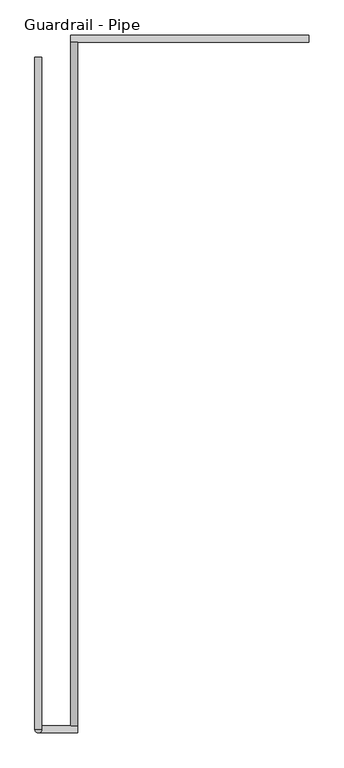
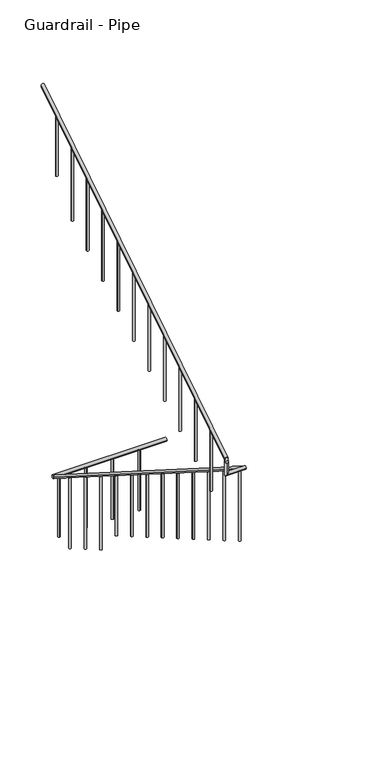
"""IFC4 building model written with IfcOpenShell, lengths in millimetres: railing geometry, Guardrail - Pipe."""

from ifc_helpers import new_model, si_unit, point, frame, frame_2d, origin, place, context, project, spatial, circle_curve, ellipse_curve, trimmed, segment, composite_curve, outline, extrude, source, transform, mapped, element, save
from ifc_brep_helpers import plane_surface, cylinder_surface, advanced_brep


def guardrail_pipe_fcc3547d(model_context):
    return source(origin(), model_context, "Body", "SolidModel", [
        advanced_brep(
        [(487033.6754676, -251200.4580223, 864.0596117), (486995.5754676, -251200.4580223, 864.0596117), (487033.6754676, -254896.1580223, 3203.4252683), (486995.5754676, -254896.1580223, 3203.4252683)],
        [
            (0, 1, ellipse_curve(frame((487014.6254676, -251200.4580223, 864.0596117), z_axis=(0.0, 1.0, 0.0), x_axis=(0.0, 0.0, -1.0)), 22.5457755, 19.05)),
            (1, 0, ellipse_curve(frame((487014.6254676, -251200.4580223, 864.0596117), z_axis=(0.0, 1.0, 0.0), x_axis=(0.0, 0.0, -1.0)), 22.5457755, 19.05)),
            (2, 3, ellipse_curve(frame((487014.6254676, -254896.1580223, 3203.4252683), z_axis=(0.0, -1.0, 0.0), x_axis=(0.0, 0.0, -1.0)), 22.5457755, 19.05)),
            (3, 2, ellipse_curve(frame((487014.6254676, -254896.1580223, 3203.4252683), z_axis=(0.0, -1.0, 0.0), x_axis=(0.0, 0.0, -1.0)), 22.5457755, 19.05)),
            (1, 3),
            (2, 0),
        ],
        [
            plane_surface(frame((487014.6254676, -251200.4580223, 886.6053872), z_axis=(0.0, 1.0, 0.0), x_axis=(0.0, 0.0, -1.0))),
            plane_surface(frame((487014.6254676, -254896.1580223, 3225.9710438), z_axis=(0.0, -1.0, 0.0), x_axis=(0.0, 0.0, -1.0))),
            cylinder_surface(frame((487014.6254676, -251210.6468961, 870.5091345), z_axis=(0.0, 0.8449476488296452, -0.5348490167675869), x_axis=(-1.0, 0.0, 0.0)), 19.05),
        ],
        [
            (0, [[1, 2]]),
            (1, [[3, 4]]),
            (2, [[-2, 5, -3, 6]]),
            (2, [[-1, -6, -4, -5]]),
        ],
    ),
        advanced_brep(
        [(487033.6754676, -254934.2580223, 3218.9796296), (487033.6754676, -254896.1580223, 3218.9796296), (486820.105137, -254896.1580223, 3218.9796296), (486820.105137, -254934.2580223, 3218.9796296), (486820.105137, -254934.2580223, 3357.738752), (486820.105137, -254896.1580223, 3381.8559237)],
        [
            (0, 1, circle_curve(frame((487033.6754676, -254915.2080223, 3218.9796296), z_axis=(1.0, 0.0, 0.0), x_axis=(0.0, 1.0, 0.0)), 19.05)),
            (1, 0, circle_curve(frame((487033.6754676, -254915.2080223, 3218.9796296), z_axis=(1.0, 0.0, 0.0), x_axis=(0.0, 1.0, 0.0)), 19.05)),
            (1, 2),
            (2, 3, ellipse_curve(frame((486820.105137, -254915.2080223, 3218.9796296), z_axis=(0.7071067811865475, 0.0, -0.7071067811865475), x_axis=(0.7071067811865476, 0.0, 0.7071067811865474)), 26.9407684, 19.05)),
            (3, 0),
            (3, 2, ellipse_curve(frame((486820.105137, -254915.2080223, 3218.9796296), z_axis=(0.7071067811865475, 0.0, -0.7071067811865475), x_axis=(0.7071067811865476, 0.0, 0.7071067811865474)), 26.9407684, 19.05)),
            (4, 5, ellipse_curve(frame((486820.105137, -254915.2080223, 3369.7973379), z_axis=(0.0, -0.5348490167675869, 0.8449476488296452), x_axis=(0.0, -0.8449476488296452, -0.5348490167675869)), 22.5457755, 19.05)),
            (5, 4, ellipse_curve(frame((486820.105137, -254915.2080223, 3369.7973379), z_axis=(0.0, -0.5348490167675869, 0.8449476488296452), x_axis=(0.0, -0.8449476488296452, -0.5348490167675869)), 22.5457755, 19.05)),
            (2, 5),
            (4, 3),
        ],
        [
            plane_surface(frame((487033.6754676, -254915.2080223, 3238.0296296), z_axis=(1.0, 0.0, 0.0), x_axis=(0.0, -1.0, 0.0))),
            cylinder_surface(frame((487033.6754676, -254915.2080223, 3218.9796296), z_axis=(1.0, 0.0, 0.0), x_axis=(0.0, 1.0, 0.0)), 19.05),
            plane_surface(frame((486839.155137, -254915.2080223, 3369.7973379), z_axis=(0.0, -0.5348490167675869, 0.8449476488296452), x_axis=(1.0, 0.0, 0.0))),
            cylinder_surface(frame((486820.105137, -254915.2080223, 3238.0296296), z_axis=(0.0, 0.0, -1.0), x_axis=(0.0, 1.0, 0.0)), 19.05),
        ],
        [
            (0, [[1, 2]]),
            (1, [[-2, 3, 4, 5]]),
            (1, [[-1, -5, 6, -3]]),
            (2, [[7, 8]]),
            (3, [[-4, 9, -7, 10]]),
            (3, [[-6, -10, -8, -9]]),
        ],
    ),
        advanced_brep(
        [(486801.055137, -254915.2080223, 3392.3431134), (486839.155137, -254915.2080223, 3392.3431134), (486801.055137, -251283.0080223, 5691.5134838), (486839.155137, -251283.0080223, 5691.5134838)],
        [
            (0, 1, ellipse_curve(frame((486820.105137, -254915.2080223, 3392.3431134), z_axis=(0.0, -1.0, 0.0), x_axis=(0.0, 0.0, -1.0)), 22.5457755, 19.05)),
            (1, 0, ellipse_curve(frame((486820.105137, -254915.2080223, 3392.3431134), z_axis=(0.0, -1.0, 0.0), x_axis=(0.0, 0.0, -1.0)), 22.5457755, 19.05)),
            (2, 3, ellipse_curve(frame((486820.105137, -251283.0080223, 5691.5134838), z_axis=(0.0, 1.0, 0.0), x_axis=(0.0, 0.0, -1.0)), 22.5457755, 19.05)),
            (3, 2, ellipse_curve(frame((486820.105137, -251283.0080223, 5691.5134838), z_axis=(0.0, 1.0, 0.0), x_axis=(0.0, 0.0, -1.0)), 22.5457755, 19.05)),
            (1, 3),
            (2, 0),
        ],
        [
            plane_surface(frame((486820.105137, -254915.2080223, 3414.8888889), z_axis=(0.0, -1.0, 0.0), x_axis=(0.0, 0.0, 1.0))),
            plane_surface(frame((486820.105137, -251283.0080223, 5714.0592593), z_axis=(0.0, 1.0, 0.0), x_axis=(0.0, 0.0, 1.0))),
            cylinder_surface(frame((486820.105137, -254905.0191486, 3398.7926362), z_axis=(0.0, -0.8449476488296452, -0.5348490167675869), x_axis=(1.0, 0.0, 0.0)), 19.05),
        ],
        [
            (0, [[1, 2]]),
            (1, [[3, 4]]),
            (2, [[-2, 5, -3, 6]]),
            (2, [[-1, -6, -4, -5]]),
        ],
    ),
        advanced_brep(
        [(488284.6254676, -251200.4580223, 855.4968013), (488284.6254676, -251162.3580223, 855.4968013), (486995.5754676, -251200.4580223, 855.4968013), (486995.5754676, -251162.3580223, 855.4968013)],
        [
            (0, 1, circle_curve(frame((488284.6254676, -251181.4080223, 855.4968013), z_axis=(1.0, 0.0, 0.0), x_axis=(0.0, 1.0, 0.0)), 19.05)),
            (1, 0, circle_curve(frame((488284.6254676, -251181.4080223, 855.4968013), z_axis=(1.0, 0.0, 0.0), x_axis=(0.0, 1.0, 0.0)), 19.05)),
            (2, 3, circle_curve(frame((486995.5754676, -251181.4080223, 855.4968013), z_axis=(-1.0, 0.0, 0.0), x_axis=(0.0, 1.0, 0.0)), 19.05)),
            (3, 2, circle_curve(frame((486995.5754676, -251181.4080223, 855.4968013), z_axis=(-1.0, 0.0, 0.0), x_axis=(0.0, 1.0, 0.0)), 19.05)),
            (1, 3),
            (2, 0),
        ],
        [
            plane_surface(frame((488284.6254676, -251181.4080223, 874.5468013), z_axis=(1.0, 0.0, 0.0), x_axis=(0.0, -1.0, 0.0))),
            plane_surface(frame((486995.5754676, -251181.4080223, 874.5468013), z_axis=(-1.0, 0.0, 0.0), x_axis=(0.0, -1.0, 0.0))),
            cylinder_surface(frame((488284.6254676, -251181.4080223, 855.4968013), z_axis=(1.0, 0.0, 0.0), x_axis=(0.0, 1.0, 0.0)), 19.05),
        ],
        [
            (0, [[1, 2]]),
            (1, [[3, 4]]),
            (2, [[-2, 5, -3, 6]]),
            (2, [[-1, -6, -4, -5]]),
        ],
    ),
        advanced_brep(
        [(486832.805137, -251562.4080223, 5492.108449), (486832.805137, -251562.4080223, 4775.2), (486807.405137, -251562.4080223, 4775.2), (486807.405137, -251562.4080223, 5492.108449)],
        [
            (0, 1),
            (1, 2, circle_curve(frame((486820.105137, -251562.4080223, 4775.2), z_axis=(0.0, 0.0, 1.0), x_axis=(-1.0, 0.0, 0.0)), 12.7)),
            (2, 3),
            (3, 0, ellipse_curve(frame((486820.105137, -251562.4080223, 5492.108449), z_axis=(0.0, 0.534849016767586, -0.8449476488296459), x_axis=(0.0, 0.8449476488296459, 0.5348490167675857)), 15.030517, 12.7)),
            (0, 3, ellipse_curve(frame((486820.105137, -251562.4080223, 5492.108449), z_axis=(0.0, 0.534849016767586, -0.8449476488296459), x_axis=(0.0, 0.8449476488296459, 0.5348490167675857)), 15.030517, 12.7)),
            (2, 1, circle_curve(frame((486820.105137, -251562.4080223, 4775.2), z_axis=(0.0, 0.0, 1.0), x_axis=(-1.0, 0.0, 0.0)), 12.7)),
        ],
        [
            cylinder_surface(frame((486820.105137, -251562.4080223, 4546.6), z_axis=(0.0, 0.0, 1.0), x_axis=(-1.0, 0.0, 0.0)), 12.7),
            plane_surface(frame((486794.705137, -251537.0080223, 5508.1865635), z_axis=(0.0, -0.534849016767586, 0.8449476488296459), x_axis=(1.0, 0.0, 0.0))),
            plane_surface(frame((486794.705137, -251587.8080223, 4775.2), z_axis=(0.0, 0.0, -1.0), x_axis=(1.0, 0.0, 0.0))),
        ],
        [
            (0, [[1, 2, 3, 4]]),
            (0, [[-1, 5, -3, 6]]),
            (1, [[-4, -5]]),
            (2, [[-2, -6]]),
        ],
    ),
        advanced_brep(
        [(486832.805137, -251867.2080223, 5299.1710753), (486832.805137, -251867.2080223, 4421.4814815), (486807.405137, -251867.2080223, 4421.4814815), (486807.405137, -251867.2080223, 5299.1710753)],
        [
            (0, 1),
            (1, 2, circle_curve(frame((486820.105137, -251867.2080223, 4421.4814815), z_axis=(0.0, 0.0, 1.0), x_axis=(-1.0, 0.0, 0.0)), 12.7)),
            (2, 3),
            (3, 0, ellipse_curve(frame((486820.105137, -251867.2080223, 5299.1710753), z_axis=(0.0, 0.5348490167675843, -0.8449476488296469), x_axis=(0.0, 0.8449476488296469, 0.5348490167675843)), 15.030517, 12.7)),
            (0, 3, ellipse_curve(frame((486820.105137, -251867.2080223, 5299.1710753), z_axis=(0.0, 0.5348490167675843, -0.8449476488296469), x_axis=(0.0, 0.8449476488296469, 0.5348490167675843)), 15.030517, 12.7)),
            (2, 1, circle_curve(frame((486820.105137, -251867.2080223, 4421.4814815), z_axis=(0.0, 0.0, 1.0), x_axis=(-1.0, 0.0, 0.0)), 12.7)),
        ],
        [
            cylinder_surface(frame((486820.105137, -251867.2080223, 4192.8814815), z_axis=(0.0, 0.0, 1.0), x_axis=(-1.0, 0.0, 0.0)), 12.7),
            plane_surface(frame((486794.705137, -251841.8080223, 5315.2491897), z_axis=(0.0, -0.5348490167675843, 0.8449476488296469), x_axis=(1.0, 0.0, 0.0))),
            plane_surface(frame((486794.705137, -251892.6080223, 4421.4814815), z_axis=(0.0, 0.0, -1.0), x_axis=(1.0, 0.0, 0.0))),
        ],
        [
            (0, [[1, 2, 3, 4]]),
            (0, [[-1, 5, -3, 6]]),
            (1, [[-4, -5]]),
            (2, [[-2, -6]]),
        ],
    ),
        advanced_brep(
        [(486832.805137, -252172.0080223, 5106.2337015), (486832.805137, -252172.0080223, 4244.6222222), (486807.405137, -252172.0080223, 4244.6222222), (486807.405137, -252172.0080223, 5106.2337015)],
        [
            (0, 1),
            (1, 2, circle_curve(frame((486820.105137, -252172.0080223, 4244.6222222), z_axis=(0.0, 0.0, 1.0), x_axis=(-1.0, 0.0, 0.0)), 12.7)),
            (2, 3),
            (3, 0, ellipse_curve(frame((486820.105137, -252172.0080223, 5106.2337015), z_axis=(0.0, 0.534849016767586, -0.8449476488296459), x_axis=(0.0, 0.8449476488296459, 0.5348490167675857)), 15.030517, 12.7)),
            (0, 3, ellipse_curve(frame((486820.105137, -252172.0080223, 5106.2337015), z_axis=(0.0, 0.534849016767586, -0.8449476488296459), x_axis=(0.0, 0.8449476488296459, 0.5348490167675857)), 15.030517, 12.7)),
            (2, 1, circle_curve(frame((486820.105137, -252172.0080223, 4244.6222222), z_axis=(0.0, 0.0, 1.0), x_axis=(-1.0, 0.0, 0.0)), 12.7)),
        ],
        [
            cylinder_surface(frame((486820.105137, -252172.0080223, 4016.0222222), z_axis=(0.0, 0.0, 1.0), x_axis=(-1.0, 0.0, 0.0)), 12.7),
            plane_surface(frame((486794.705137, -252146.6080223, 5122.311816), z_axis=(0.0, -0.534849016767586, 0.8449476488296459), x_axis=(1.0, 0.0, 0.0))),
            plane_surface(frame((486794.705137, -252197.4080223, 4244.6222222), z_axis=(0.0, 0.0, -1.0), x_axis=(1.0, 0.0, 0.0))),
        ],
        [
            (0, [[1, 2, 3, 4]]),
            (0, [[-1, 5, -3, 6]]),
            (1, [[-4, -5]]),
            (2, [[-2, -6]]),
        ],
    ),
        advanced_brep(
        [(486832.805137, -252476.8080223, 4913.2963278), (486832.805137, -252476.8080223, 4067.762963), (486807.405137, -252476.8080223, 4067.762963), (486807.405137, -252476.8080223, 4913.2963278)],
        [
            (0, 1),
            (1, 2, circle_curve(frame((486820.105137, -252476.8080223, 4067.762963), z_axis=(0.0, 0.0, 1.0), x_axis=(-1.0, 0.0, 0.0)), 12.7)),
            (2, 3),
            (3, 0, ellipse_curve(frame((486820.105137, -252476.8080223, 4913.2963278), z_axis=(0.0, 0.534849016767586, -0.8449476488296459), x_axis=(0.0, 0.8449476488296459, 0.5348490167675857)), 15.030517, 12.7)),
            (0, 3, ellipse_curve(frame((486820.105137, -252476.8080223, 4913.2963278), z_axis=(0.0, 0.534849016767586, -0.8449476488296459), x_axis=(0.0, 0.8449476488296459, 0.5348490167675857)), 15.030517, 12.7)),
            (2, 1, circle_curve(frame((486820.105137, -252476.8080223, 4067.762963), z_axis=(0.0, 0.0, 1.0), x_axis=(-1.0, 0.0, 0.0)), 12.7)),
        ],
        [
            cylinder_surface(frame((486820.105137, -252476.8080223, 3839.162963), z_axis=(0.0, 0.0, 1.0), x_axis=(-1.0, 0.0, 0.0)), 12.7),
            plane_surface(frame((486794.705137, -252451.4080223, 4929.3744423), z_axis=(0.0, -0.534849016767586, 0.8449476488296459), x_axis=(1.0, 0.0, 0.0))),
            plane_surface(frame((486794.705137, -252502.2080223, 4067.762963), z_axis=(0.0, 0.0, -1.0), x_axis=(1.0, 0.0, 0.0))),
        ],
        [
            (0, [[1, 2, 3, 4]]),
            (0, [[-1, 5, -3, 6]]),
            (1, [[-4, -5]]),
            (2, [[-2, -6]]),
        ],
    ),
        advanced_brep(
        [(486832.805137, -252781.6080223, 4720.358954), (486832.805137, -252781.6080223, 3890.9037037), (486807.405137, -252781.6080223, 3890.9037037), (486807.405137, -252781.6080223, 4720.358954)],
        [
            (0, 1),
            (1, 2, circle_curve(frame((486820.105137, -252781.6080223, 3890.9037037), z_axis=(0.0, 0.0, 1.0), x_axis=(-1.0, 0.0, 0.0)), 12.7)),
            (2, 3),
            (3, 0, ellipse_curve(frame((486820.105137, -252781.6080223, 4720.358954), z_axis=(0.0, 0.5348490167675843, -0.8449476488296469), x_axis=(0.0, 0.8449476488296469, 0.5348490167675843)), 15.030517, 12.7)),
            (0, 3, ellipse_curve(frame((486820.105137, -252781.6080223, 4720.358954), z_axis=(0.0, 0.5348490167675843, -0.8449476488296469), x_axis=(0.0, 0.8449476488296469, 0.5348490167675843)), 15.030517, 12.7)),
            (2, 1, circle_curve(frame((486820.105137, -252781.6080223, 3890.9037037), z_axis=(0.0, 0.0, 1.0), x_axis=(-1.0, 0.0, 0.0)), 12.7)),
        ],
        [
            cylinder_surface(frame((486820.105137, -252781.6080223, 3662.3037037), z_axis=(0.0, 0.0, 1.0), x_axis=(-1.0, 0.0, 0.0)), 12.7),
            plane_surface(frame((486794.705137, -252756.2080223, 4736.4370685), z_axis=(0.0, -0.5348490167675843, 0.8449476488296469), x_axis=(1.0, 0.0, 0.0))),
            plane_surface(frame((486794.705137, -252807.0080223, 3890.9037037), z_axis=(0.0, 0.0, -1.0), x_axis=(1.0, 0.0, 0.0))),
        ],
        [
            (0, [[1, 2, 3, 4]]),
            (0, [[-1, 5, -3, 6]]),
            (1, [[-4, -5]]),
            (2, [[-2, -6]]),
        ],
    ),
        advanced_brep(
        [(486832.805137, -253086.4080223, 4527.4215803), (486832.805137, -253086.4080223, 3714.0444444), (486807.405137, -253086.4080223, 3714.0444444), (486807.405137, -253086.4080223, 4527.4215803)],
        [
            (0, 1),
            (1, 2, circle_curve(frame((486820.105137, -253086.4080223, 3714.0444444), z_axis=(0.0, 0.0, 1.0), x_axis=(-1.0, 0.0, 0.0)), 12.7)),
            (2, 3),
            (3, 0, ellipse_curve(frame((486820.105137, -253086.4080223, 4527.4215803), z_axis=(0.0, 0.5348490167675828, -0.844947648829648), x_axis=(0.0, 0.8449476488296481, 0.5348490167675825)), 15.030517, 12.7)),
            (0, 3, ellipse_curve(frame((486820.105137, -253086.4080223, 4527.4215803), z_axis=(0.0, 0.5348490167675828, -0.844947648829648), x_axis=(0.0, 0.8449476488296481, 0.5348490167675825)), 15.030517, 12.7)),
            (2, 1, circle_curve(frame((486820.105137, -253086.4080223, 3714.0444444), z_axis=(0.0, 0.0, 1.0), x_axis=(-1.0, 0.0, 0.0)), 12.7)),
        ],
        [
            cylinder_surface(frame((486820.105137, -253086.4080223, 3485.4444444), z_axis=(0.0, 0.0, 1.0), x_axis=(-1.0, 0.0, 0.0)), 12.7),
            plane_surface(frame((486794.705137, -253061.0080223, 4543.4996948), z_axis=(0.0, -0.5348490167675828, 0.844947648829648), x_axis=(1.0, 0.0, 0.0))),
            plane_surface(frame((486794.705137, -253111.8080223, 3714.0444444), z_axis=(0.0, 0.0, -1.0), x_axis=(1.0, 0.0, 0.0))),
        ],
        [
            (0, [[1, 2, 3, 4]]),
            (0, [[-1, 5, -3, 6]]),
            (1, [[-4, -5]]),
            (2, [[-2, -6]]),
        ],
    ),
        advanced_brep(
        [(486832.805137, -253391.2080223, 4334.4842066), (486832.805137, -253391.2080223, 3537.1851852), (486807.405137, -253391.2080223, 3537.1851852), (486807.405137, -253391.2080223, 4334.4842066)],
        [
            (0, 1),
            (1, 2, circle_curve(frame((486820.105137, -253391.2080223, 3537.1851852), z_axis=(0.0, 0.0, 1.0), x_axis=(-1.0, 0.0, 0.0)), 12.7)),
            (2, 3),
            (3, 0, ellipse_curve(frame((486820.105137, -253391.2080223, 4334.4842066), z_axis=(0.0, 0.5348490167675843, -0.8449476488296469), x_axis=(0.0, 0.8449476488296469, 0.5348490167675843)), 15.030517, 12.7)),
            (0, 3, ellipse_curve(frame((486820.105137, -253391.2080223, 4334.4842066), z_axis=(0.0, 0.5348490167675843, -0.8449476488296469), x_axis=(0.0, 0.8449476488296469, 0.5348490167675843)), 15.030517, 12.7)),
            (2, 1, circle_curve(frame((486820.105137, -253391.2080223, 3537.1851852), z_axis=(0.0, 0.0, 1.0), x_axis=(-1.0, 0.0, 0.0)), 12.7)),
        ],
        [
            cylinder_surface(frame((486820.105137, -253391.2080223, 3308.5851852), z_axis=(0.0, 0.0, 1.0), x_axis=(-1.0, 0.0, 0.0)), 12.7),
            plane_surface(frame((486794.705137, -253365.8080223, 4350.5623211), z_axis=(0.0, -0.5348490167675843, 0.8449476488296469), x_axis=(1.0, 0.0, 0.0))),
            plane_surface(frame((486794.705137, -253416.6080223, 3537.1851852), z_axis=(0.0, 0.0, -1.0), x_axis=(1.0, 0.0, 0.0))),
        ],
        [
            (0, [[1, 2, 3, 4]]),
            (0, [[-1, 5, -3, 6]]),
            (1, [[-4, -5]]),
            (2, [[-2, -6]]),
        ],
    ),
        advanced_brep(
        [(486832.805137, -253696.0080223, 4141.5468328), (486832.805137, -253696.0080223, 3360.3259259), (486807.405137, -253696.0080223, 3360.3259259), (486807.405137, -253696.0080223, 4141.5468328)],
        [
            (0, 1),
            (1, 2, circle_curve(frame((486820.105137, -253696.0080223, 3360.3259259), z_axis=(0.0, 0.0, 1.0), x_axis=(-1.0, 0.0, 0.0)), 12.7)),
            (2, 3),
            (3, 0, ellipse_curve(frame((486820.105137, -253696.0080223, 4141.5468328), z_axis=(0.0, 0.5348490167675843, -0.8449476488296469), x_axis=(0.0, 0.8449476488296469, 0.5348490167675843)), 15.030517, 12.7)),
            (0, 3, ellipse_curve(frame((486820.105137, -253696.0080223, 4141.5468328), z_axis=(0.0, 0.5348490167675843, -0.8449476488296469), x_axis=(0.0, 0.8449476488296469, 0.5348490167675843)), 15.030517, 12.7)),
            (2, 1, circle_curve(frame((486820.105137, -253696.0080223, 3360.3259259), z_axis=(0.0, 0.0, 1.0), x_axis=(-1.0, 0.0, 0.0)), 12.7)),
        ],
        [
            cylinder_surface(frame((486820.105137, -253696.0080223, 3131.7259259), z_axis=(0.0, 0.0, 1.0), x_axis=(-1.0, 0.0, 0.0)), 12.7),
            plane_surface(frame((486794.705137, -253670.6080223, 4157.6249473), z_axis=(0.0, -0.5348490167675843, 0.8449476488296469), x_axis=(1.0, 0.0, 0.0))),
            plane_surface(frame((486794.705137, -253721.4080223, 3360.3259259), z_axis=(0.0, 0.0, -1.0), x_axis=(1.0, 0.0, 0.0))),
        ],
        [
            (0, [[1, 2, 3, 4]]),
            (0, [[-1, 5, -3, 6]]),
            (1, [[-4, -5]]),
            (2, [[-2, -6]]),
        ],
    ),
        advanced_brep(
        [(486832.805137, -254000.8080223, 3948.6094591), (486832.805137, -254000.8080223, 3183.4666667), (486807.405137, -254000.8080223, 3183.4666667), (486807.405137, -254000.8080223, 3948.6094591)],
        [
            (0, 1),
            (1, 2, circle_curve(frame((486820.105137, -254000.8080223, 3183.4666667), z_axis=(0.0, 0.0, 1.0), x_axis=(-1.0, 0.0, 0.0)), 12.7)),
            (2, 3),
            (3, 0, ellipse_curve(frame((486820.105137, -254000.8080223, 3948.6094591), z_axis=(0.0, 0.5348490167675843, -0.8449476488296469), x_axis=(0.0, 0.8449476488296469, 0.5348490167675843)), 15.030517, 12.7)),
            (0, 3, ellipse_curve(frame((486820.105137, -254000.8080223, 3948.6094591), z_axis=(0.0, 0.5348490167675843, -0.8449476488296469), x_axis=(0.0, 0.8449476488296469, 0.5348490167675843)), 15.030517, 12.7)),
            (2, 1, circle_curve(frame((486820.105137, -254000.8080223, 3183.4666667), z_axis=(0.0, 0.0, 1.0), x_axis=(-1.0, 0.0, 0.0)), 12.7)),
        ],
        [
            cylinder_surface(frame((486820.105137, -254000.8080223, 2954.8666667), z_axis=(0.0, 0.0, 1.0), x_axis=(-1.0, 0.0, 0.0)), 12.7),
            plane_surface(frame((486794.705137, -253975.4080223, 3964.6875736), z_axis=(0.0, -0.5348490167675843, 0.8449476488296469), x_axis=(1.0, 0.0, 0.0))),
            plane_surface(frame((486794.705137, -254026.2080223, 3183.4666667), z_axis=(0.0, 0.0, -1.0), x_axis=(1.0, 0.0, 0.0))),
        ],
        [
            (0, [[1, 2, 3, 4]]),
            (0, [[-1, 5, -3, 6]]),
            (1, [[-4, -5]]),
            (2, [[-2, -6]]),
        ],
    ),
        advanced_brep(
        [(486832.805137, -254305.6080223, 3755.6720854), (486832.805137, -254305.6080223, 3006.6074074), (486807.405137, -254305.6080223, 3006.6074074), (486807.405137, -254305.6080223, 3755.6720854)],
        [
            (0, 1),
            (1, 2, circle_curve(frame((486820.105137, -254305.6080223, 3006.6074074), z_axis=(0.0, 0.0, 1.0), x_axis=(-1.0, 0.0, 0.0)), 12.7)),
            (2, 3),
            (3, 0, ellipse_curve(frame((486820.105137, -254305.6080223, 3755.6720854), z_axis=(0.0, 0.534849016767586, -0.8449476488296459), x_axis=(0.0, 0.8449476488296459, 0.5348490167675857)), 15.030517, 12.7)),
            (0, 3, ellipse_curve(frame((486820.105137, -254305.6080223, 3755.6720854), z_axis=(0.0, 0.534849016767586, -0.8449476488296459), x_axis=(0.0, 0.8449476488296459, 0.5348490167675857)), 15.030517, 12.7)),
            (2, 1, circle_curve(frame((486820.105137, -254305.6080223, 3006.6074074), z_axis=(0.0, 0.0, 1.0), x_axis=(-1.0, 0.0, 0.0)), 12.7)),
        ],
        [
            cylinder_surface(frame((486820.105137, -254305.6080223, 2778.0074074), z_axis=(0.0, 0.0, 1.0), x_axis=(-1.0, 0.0, 0.0)), 12.7),
            plane_surface(frame((486794.705137, -254280.2080223, 3771.7501998), z_axis=(0.0, -0.534849016767586, 0.8449476488296459), x_axis=(1.0, 0.0, 0.0))),
            plane_surface(frame((486794.705137, -254331.0080223, 3006.6074074), z_axis=(0.0, 0.0, -1.0), x_axis=(1.0, 0.0, 0.0))),
        ],
        [
            (0, [[1, 2, 3, 4]]),
            (0, [[-1, 5, -3, 6]]),
            (1, [[-4, -5]]),
            (2, [[-2, -6]]),
        ],
    ),
        advanced_brep(
        [(486832.805137, -254610.4080223, 3562.7347116), (486832.805137, -254610.4080223, 2829.7481481), (486807.405137, -254610.4080223, 2829.7481481), (486807.405137, -254610.4080223, 3562.7347116)],
        [
            (0, 1),
            (1, 2, circle_curve(frame((486820.105137, -254610.4080223, 2829.7481481), z_axis=(0.0, 0.0, 1.0), x_axis=(-1.0, 0.0, 0.0)), 12.7)),
            (2, 3),
            (3, 0, ellipse_curve(frame((486820.105137, -254610.4080223, 3562.7347116), z_axis=(0.0, 0.5348490167675828, -0.844947648829648), x_axis=(0.0, 0.8449476488296481, 0.5348490167675825)), 15.030517, 12.7)),
            (0, 3, ellipse_curve(frame((486820.105137, -254610.4080223, 3562.7347116), z_axis=(0.0, 0.5348490167675828, -0.844947648829648), x_axis=(0.0, 0.8449476488296481, 0.5348490167675825)), 15.030517, 12.7)),
            (2, 1, circle_curve(frame((486820.105137, -254610.4080223, 2829.7481481), z_axis=(0.0, 0.0, 1.0), x_axis=(-1.0, 0.0, 0.0)), 12.7)),
        ],
        [
            cylinder_surface(frame((486820.105137, -254610.4080223, 2601.1481481), z_axis=(0.0, 0.0, 1.0), x_axis=(-1.0, 0.0, 0.0)), 12.7),
            plane_surface(frame((486794.705137, -254585.0080223, 3578.8128261), z_axis=(0.0, -0.5348490167675828, 0.844947648829648), x_axis=(1.0, 0.0, 0.0))),
            plane_surface(frame((486794.705137, -254635.8080223, 2829.7481481), z_axis=(0.0, 0.0, -1.0), x_axis=(1.0, 0.0, 0.0))),
        ],
        [
            (0, [[1, 2, 3, 4]]),
            (0, [[-1, 5, -3, 6]]),
            (1, [[-4, -5]]),
            (2, [[-2, -6]]),
        ],
    ),
        advanced_brep(
        [(487001.9254676, -254839.0080223, 3144.7037352), (487001.9254676, -254839.0080223, 2299.1703704), (487027.3254676, -254839.0080223, 2299.1703704), (487027.3254676, -254839.0080223, 3144.7037352)],
        [
            (0, 1),
            (1, 2, circle_curve(frame((487014.6254676, -254839.0080223, 2299.1703704), z_axis=(0.0, 0.0, 1.0), x_axis=(1.0, 0.0, 0.0)), 12.7)),
            (2, 3),
            (3, 0, ellipse_curve(frame((487014.6254676, -254839.0080223, 3144.7037352), z_axis=(0.0, -0.534849016767586, -0.8449476488296459), x_axis=(0.0, -0.8449476488296459, 0.5348490167675857)), 15.030517, 12.7)),
            (0, 3, ellipse_curve(frame((487014.6254676, -254839.0080223, 3144.7037352), z_axis=(0.0, -0.534849016767586, -0.8449476488296459), x_axis=(0.0, -0.8449476488296459, 0.5348490167675857)), 15.030517, 12.7)),
            (2, 1, circle_curve(frame((487014.6254676, -254839.0080223, 2299.1703704), z_axis=(0.0, 0.0, 1.0), x_axis=(1.0, 0.0, 0.0)), 12.7)),
        ],
        [
            cylinder_surface(frame((487014.6254676, -254839.0080223, 2070.5703704), z_axis=(0.0, 0.0, 1.0), x_axis=(1.0, 0.0, 0.0)), 12.7),
            plane_surface(frame((487040.0254676, -254864.4080223, 3160.7818497), z_axis=(0.0, 0.534849016767586, 0.8449476488296459), x_axis=(-1.0, 0.0, 0.0))),
            plane_surface(frame((487040.0254676, -254813.6080223, 2299.1703704), z_axis=(0.0, 0.0, -1.0), x_axis=(-1.0, 0.0, 0.0))),
        ],
        [
            (0, [[1, 2, 3, 4]]),
            (0, [[-1, 5, -3, 6]]),
            (1, [[-4, -5]]),
            (2, [[-2, -6]]),
        ],
    ),
        advanced_brep(
        [(487001.9254676, -254534.2080223, 2951.7663615), (487001.9254676, -254534.2080223, 2122.3111111), (487027.3254676, -254534.2080223, 2122.3111111), (487027.3254676, -254534.2080223, 2951.7663615)],
        [
            (0, 1),
            (1, 2, circle_curve(frame((487014.6254676, -254534.2080223, 2122.3111111), z_axis=(0.0, 0.0, 1.0), x_axis=(1.0, 0.0, 0.0)), 12.7)),
            (2, 3),
            (3, 0, ellipse_curve(frame((487014.6254676, -254534.2080223, 2951.7663615), z_axis=(0.0, -0.5348490167675843, -0.8449476488296469), x_axis=(0.0, -0.8449476488296469, 0.5348490167675843)), 15.030517, 12.7)),
            (0, 3, ellipse_curve(frame((487014.6254676, -254534.2080223, 2951.7663615), z_axis=(0.0, -0.5348490167675843, -0.8449476488296469), x_axis=(0.0, -0.8449476488296469, 0.5348490167675843)), 15.030517, 12.7)),
            (2, 1, circle_curve(frame((487014.6254676, -254534.2080223, 2122.3111111), z_axis=(0.0, 0.0, 1.0), x_axis=(1.0, 0.0, 0.0)), 12.7)),
        ],
        [
            cylinder_surface(frame((487014.6254676, -254534.2080223, 1893.7111111), z_axis=(0.0, 0.0, 1.0), x_axis=(1.0, 0.0, 0.0)), 12.7),
            plane_surface(frame((487040.0254676, -254559.6080223, 2967.8444759), z_axis=(0.0, 0.5348490167675843, 0.8449476488296469), x_axis=(-1.0, 0.0, 0.0))),
            plane_surface(frame((487040.0254676, -254508.8080223, 2122.3111111), z_axis=(0.0, 0.0, -1.0), x_axis=(-1.0, 0.0, 0.0))),
        ],
        [
            (0, [[1, 2, 3, 4]]),
            (0, [[-1, 5, -3, 6]]),
            (1, [[-4, -5]]),
            (2, [[-2, -6]]),
        ],
    ),
        advanced_brep(
        [(487001.9254676, -254229.4080223, 2758.8289877), (487001.9254676, -254229.4080223, 1945.4518519), (487027.3254676, -254229.4080223, 1945.4518519), (487027.3254676, -254229.4080223, 2758.8289877)],
        [
            (0, 1),
            (1, 2, circle_curve(frame((487014.6254676, -254229.4080223, 1945.4518519), z_axis=(0.0, 0.0, 1.0), x_axis=(1.0, 0.0, 0.0)), 12.7)),
            (2, 3),
            (3, 0, ellipse_curve(frame((487014.6254676, -254229.4080223, 2758.8289877), z_axis=(0.0, -0.5348490167675828, -0.844947648829648), x_axis=(0.0, -0.8449476488296481, 0.5348490167675825)), 15.030517, 12.7)),
            (0, 3, ellipse_curve(frame((487014.6254676, -254229.4080223, 2758.8289877), z_axis=(0.0, -0.5348490167675828, -0.844947648829648), x_axis=(0.0, -0.8449476488296481, 0.5348490167675825)), 15.030517, 12.7)),
            (2, 1, circle_curve(frame((487014.6254676, -254229.4080223, 1945.4518519), z_axis=(0.0, 0.0, 1.0), x_axis=(1.0, 0.0, 0.0)), 12.7)),
        ],
        [
            cylinder_surface(frame((487014.6254676, -254229.4080223, 1716.8518519), z_axis=(0.0, 0.0, 1.0), x_axis=(1.0, 0.0, 0.0)), 12.7),
            plane_surface(frame((487040.0254676, -254254.8080223, 2774.9071022), z_axis=(0.0, 0.5348490167675828, 0.844947648829648), x_axis=(-1.0, 0.0, 0.0))),
            plane_surface(frame((487040.0254676, -254204.0080223, 1945.4518519), z_axis=(0.0, 0.0, -1.0), x_axis=(-1.0, 0.0, 0.0))),
        ],
        [
            (0, [[1, 2, 3, 4]]),
            (0, [[-1, 5, -3, 6]]),
            (1, [[-4, -5]]),
            (2, [[-2, -6]]),
        ],
    ),
        advanced_brep(
        [(487001.9254676, -253924.6080223, 2565.891614), (487001.9254676, -253924.6080223, 1768.5925926), (487027.3254676, -253924.6080223, 1768.5925926), (487027.3254676, -253924.6080223, 2565.891614)],
        [
            (0, 1),
            (1, 2, circle_curve(frame((487014.6254676, -253924.6080223, 1768.5925926), z_axis=(0.0, 0.0, 1.0), x_axis=(1.0, 0.0, 0.0)), 12.7)),
            (2, 3),
            (3, 0, ellipse_curve(frame((487014.6254676, -253924.6080223, 2565.891614), z_axis=(0.0, -0.5348490167675843, -0.8449476488296469), x_axis=(0.0, -0.8449476488296469, 0.5348490167675843)), 15.030517, 12.7)),
            (0, 3, ellipse_curve(frame((487014.6254676, -253924.6080223, 2565.891614), z_axis=(0.0, -0.5348490167675843, -0.8449476488296469), x_axis=(0.0, -0.8449476488296469, 0.5348490167675843)), 15.030517, 12.7)),
            (2, 1, circle_curve(frame((487014.6254676, -253924.6080223, 1768.5925926), z_axis=(0.0, 0.0, 1.0), x_axis=(1.0, 0.0, 0.0)), 12.7)),
        ],
        [
            cylinder_surface(frame((487014.6254676, -253924.6080223, 1539.9925926), z_axis=(0.0, 0.0, 1.0), x_axis=(1.0, 0.0, 0.0)), 12.7),
            plane_surface(frame((487040.0254676, -253950.0080223, 2581.9697285), z_axis=(0.0, 0.5348490167675843, 0.8449476488296469), x_axis=(-1.0, 0.0, 0.0))),
            plane_surface(frame((487040.0254676, -253899.2080223, 1768.5925926), z_axis=(0.0, 0.0, -1.0), x_axis=(-1.0, 0.0, 0.0))),
        ],
        [
            (0, [[1, 2, 3, 4]]),
            (0, [[-1, 5, -3, 6]]),
            (1, [[-4, -5]]),
            (2, [[-2, -6]]),
        ],
    ),
        advanced_brep(
        [(487001.9254676, -253619.8080223, 2372.9542402), (487001.9254676, -253619.8080223, 1591.7333333), (487027.3254676, -253619.8080223, 1591.7333333), (487027.3254676, -253619.8080223, 2372.9542402)],
        [
            (0, 1),
            (1, 2, circle_curve(frame((487014.6254676, -253619.8080223, 1591.7333333), z_axis=(0.0, 0.0, 1.0), x_axis=(1.0, 0.0, 0.0)), 12.7)),
            (2, 3),
            (3, 0, ellipse_curve(frame((487014.6254676, -253619.8080223, 2372.9542402), z_axis=(0.0, -0.5348490167675843, -0.8449476488296469), x_axis=(0.0, -0.8449476488296469, 0.5348490167675843)), 15.030517, 12.7)),
            (0, 3, ellipse_curve(frame((487014.6254676, -253619.8080223, 2372.9542402), z_axis=(0.0, -0.5348490167675843, -0.8449476488296469), x_axis=(0.0, -0.8449476488296469, 0.5348490167675843)), 15.030517, 12.7)),
            (2, 1, circle_curve(frame((487014.6254676, -253619.8080223, 1591.7333333), z_axis=(0.0, 0.0, 1.0), x_axis=(1.0, 0.0, 0.0)), 12.7)),
        ],
        [
            cylinder_surface(frame((487014.6254676, -253619.8080223, 1363.1333333), z_axis=(0.0, 0.0, 1.0), x_axis=(1.0, 0.0, 0.0)), 12.7),
            plane_surface(frame((487040.0254676, -253645.2080223, 2389.0323547), z_axis=(0.0, 0.5348490167675843, 0.8449476488296469), x_axis=(-1.0, 0.0, 0.0))),
            plane_surface(frame((487040.0254676, -253594.4080223, 1591.7333333), z_axis=(0.0, 0.0, -1.0), x_axis=(-1.0, 0.0, 0.0))),
        ],
        [
            (0, [[1, 2, 3, 4]]),
            (0, [[-1, 5, -3, 6]]),
            (1, [[-4, -5]]),
            (2, [[-2, -6]]),
        ],
    ),
        advanced_brep(
        [(487001.9254676, -253315.0080223, 2180.0168665), (487001.9254676, -253315.0080223, 1414.8740741), (487027.3254676, -253315.0080223, 1414.8740741), (487027.3254676, -253315.0080223, 2180.0168665)],
        [
            (0, 1),
            (1, 2, circle_curve(frame((487014.6254676, -253315.0080223, 1414.8740741), z_axis=(0.0, 0.0, 1.0), x_axis=(1.0, 0.0, 0.0)), 12.7)),
            (2, 3),
            (3, 0, ellipse_curve(frame((487014.6254676, -253315.0080223, 2180.0168665), z_axis=(0.0, -0.5348490167675843, -0.8449476488296469), x_axis=(0.0, -0.8449476488296469, 0.5348490167675843)), 15.030517, 12.7)),
            (0, 3, ellipse_curve(frame((487014.6254676, -253315.0080223, 2180.0168665), z_axis=(0.0, -0.5348490167675843, -0.8449476488296469), x_axis=(0.0, -0.8449476488296469, 0.5348490167675843)), 15.030517, 12.7)),
            (2, 1, circle_curve(frame((487014.6254676, -253315.0080223, 1414.8740741), z_axis=(0.0, 0.0, 1.0), x_axis=(1.0, 0.0, 0.0)), 12.7)),
        ],
        [
            cylinder_surface(frame((487014.6254676, -253315.0080223, 1186.2740741), z_axis=(0.0, 0.0, 1.0), x_axis=(1.0, 0.0, 0.0)), 12.7),
            plane_surface(frame((487040.0254676, -253340.4080223, 2196.094981), z_axis=(0.0, 0.5348490167675843, 0.8449476488296469), x_axis=(-1.0, 0.0, 0.0))),
            plane_surface(frame((487040.0254676, -253289.6080223, 1414.8740741), z_axis=(0.0, 0.0, -1.0), x_axis=(-1.0, 0.0, 0.0))),
        ],
        [
            (0, [[1, 2, 3, 4]]),
            (0, [[-1, 5, -3, 6]]),
            (1, [[-4, -5]]),
            (2, [[-2, -6]]),
        ],
    ),
        advanced_brep(
        [(487001.9254676, -253010.2080223, 1987.0794928), (487001.9254676, -253010.2080223, 1238.0148148), (487027.3254676, -253010.2080223, 1238.0148148), (487027.3254676, -253010.2080223, 1987.0794928)],
        [
            (0, 1),
            (1, 2, circle_curve(frame((487014.6254676, -253010.2080223, 1238.0148148), z_axis=(0.0, 0.0, 1.0), x_axis=(1.0, 0.0, 0.0)), 12.7)),
            (2, 3),
            (3, 0, ellipse_curve(frame((487014.6254676, -253010.2080223, 1987.0794928), z_axis=(0.0, -0.534849016767586, -0.8449476488296459), x_axis=(0.0, -0.8449476488296459, 0.5348490167675857)), 15.030517, 12.7)),
            (0, 3, ellipse_curve(frame((487014.6254676, -253010.2080223, 1987.0794928), z_axis=(0.0, -0.534849016767586, -0.8449476488296459), x_axis=(0.0, -0.8449476488296459, 0.5348490167675857)), 15.030517, 12.7)),
            (2, 1, circle_curve(frame((487014.6254676, -253010.2080223, 1238.0148148), z_axis=(0.0, 0.0, 1.0), x_axis=(1.0, 0.0, 0.0)), 12.7)),
        ],
        [
            cylinder_surface(frame((487014.6254676, -253010.2080223, 1009.4148148), z_axis=(0.0, 0.0, 1.0), x_axis=(1.0, 0.0, 0.0)), 12.7),
            plane_surface(frame((487040.0254676, -253035.6080223, 2003.1576072), z_axis=(0.0, 0.534849016767586, 0.8449476488296459), x_axis=(-1.0, 0.0, 0.0))),
            plane_surface(frame((487040.0254676, -252984.8080223, 1238.0148148), z_axis=(0.0, 0.0, -1.0), x_axis=(-1.0, 0.0, 0.0))),
        ],
        [
            (0, [[1, 2, 3, 4]]),
            (0, [[-1, 5, -3, 6]]),
            (1, [[-4, -5]]),
            (2, [[-2, -6]]),
        ],
    ),
        advanced_brep(
        [(487001.9254676, -252705.4080223, 1794.142119), (487001.9254676, -252705.4080223, 1061.1555556), (487027.3254676, -252705.4080223, 1061.1555556), (487027.3254676, -252705.4080223, 1794.142119)],
        [
            (0, 1),
            (1, 2, circle_curve(frame((487014.6254676, -252705.4080223, 1061.1555556), z_axis=(0.0, 0.0, 1.0), x_axis=(1.0, 0.0, 0.0)), 12.7)),
            (2, 3),
            (3, 0, ellipse_curve(frame((487014.6254676, -252705.4080223, 1794.142119), z_axis=(0.0, -0.5348490167675828, -0.844947648829648), x_axis=(0.0, -0.8449476488296481, 0.5348490167675825)), 15.030517, 12.7)),
            (0, 3, ellipse_curve(frame((487014.6254676, -252705.4080223, 1794.142119), z_axis=(0.0, -0.5348490167675828, -0.844947648829648), x_axis=(0.0, -0.8449476488296481, 0.5348490167675825)), 15.030517, 12.7)),
            (2, 1, circle_curve(frame((487014.6254676, -252705.4080223, 1061.1555556), z_axis=(0.0, 0.0, 1.0), x_axis=(1.0, 0.0, 0.0)), 12.7)),
        ],
        [
            cylinder_surface(frame((487014.6254676, -252705.4080223, 832.5555556), z_axis=(0.0, 0.0, 1.0), x_axis=(1.0, 0.0, 0.0)), 12.7),
            plane_surface(frame((487040.0254676, -252730.8080223, 1810.2202335), z_axis=(0.0, 0.5348490167675828, 0.844947648829648), x_axis=(-1.0, 0.0, 0.0))),
            plane_surface(frame((487040.0254676, -252680.0080223, 1061.1555556), z_axis=(0.0, 0.0, -1.0), x_axis=(-1.0, 0.0, 0.0))),
        ],
        [
            (0, [[1, 2, 3, 4]]),
            (0, [[-1, 5, -3, 6]]),
            (1, [[-4, -5]]),
            (2, [[-2, -6]]),
        ],
    ),
        advanced_brep(
        [(487001.9254676, -252400.6080223, 1601.2047453), (487001.9254676, -252400.6080223, 884.2962963), (487027.3254676, -252400.6080223, 884.2962963), (487027.3254676, -252400.6080223, 1601.2047453)],
        [
            (0, 1),
            (1, 2, circle_curve(frame((487014.6254676, -252400.6080223, 884.2962963), z_axis=(0.0, 0.0, 1.0), x_axis=(1.0, 0.0, 0.0)), 12.7)),
            (2, 3),
            (3, 0, ellipse_curve(frame((487014.6254676, -252400.6080223, 1601.2047453), z_axis=(0.0, -0.534849016767586, -0.8449476488296459), x_axis=(0.0, -0.8449476488296459, 0.5348490167675857)), 15.030517, 12.7)),
            (0, 3, ellipse_curve(frame((487014.6254676, -252400.6080223, 1601.2047453), z_axis=(0.0, -0.534849016767586, -0.8449476488296459), x_axis=(0.0, -0.8449476488296459, 0.5348490167675857)), 15.030517, 12.7)),
            (2, 1, circle_curve(frame((487014.6254676, -252400.6080223, 884.2962963), z_axis=(0.0, 0.0, 1.0), x_axis=(1.0, 0.0, 0.0)), 12.7)),
        ],
        [
            cylinder_surface(frame((487014.6254676, -252400.6080223, 655.6962963), z_axis=(0.0, 0.0, 1.0), x_axis=(1.0, 0.0, 0.0)), 12.7),
            plane_surface(frame((487040.0254676, -252426.0080223, 1617.2828598), z_axis=(0.0, 0.534849016767586, 0.8449476488296459), x_axis=(-1.0, 0.0, 0.0))),
            plane_surface(frame((487040.0254676, -252375.2080223, 884.2962963), z_axis=(0.0, 0.0, -1.0), x_axis=(-1.0, 0.0, 0.0))),
        ],
        [
            (0, [[1, 2, 3, 4]]),
            (0, [[-1, 5, -3, 6]]),
            (1, [[-4, -5]]),
            (2, [[-2, -6]]),
        ],
    ),
        advanced_brep(
        [(487001.9254676, -252095.8080223, 1408.2673716), (487001.9254676, -252095.8080223, 530.5777778), (487027.3254676, -252095.8080223, 530.5777778), (487027.3254676, -252095.8080223, 1408.2673716)],
        [
            (0, 1),
            (1, 2, circle_curve(frame((487014.6254676, -252095.8080223, 530.5777778), z_axis=(0.0, 0.0, 1.0), x_axis=(1.0, 0.0, 0.0)), 12.7)),
            (2, 3),
            (3, 0, ellipse_curve(frame((487014.6254676, -252095.8080223, 1408.2673716), z_axis=(0.0, -0.5348490167675843, -0.8449476488296469), x_axis=(0.0, -0.8449476488296469, 0.5348490167675843)), 15.030517, 12.7)),
            (0, 3, ellipse_curve(frame((487014.6254676, -252095.8080223, 1408.2673716), z_axis=(0.0, -0.5348490167675843, -0.8449476488296469), x_axis=(0.0, -0.8449476488296469, 0.5348490167675843)), 15.030517, 12.7)),
            (2, 1, circle_curve(frame((487014.6254676, -252095.8080223, 530.5777778), z_axis=(0.0, 0.0, 1.0), x_axis=(1.0, 0.0, 0.0)), 12.7)),
        ],
        [
            cylinder_surface(frame((487014.6254676, -252095.8080223, 301.9777778), z_axis=(0.0, 0.0, 1.0), x_axis=(1.0, 0.0, 0.0)), 12.7),
            plane_surface(frame((487040.0254676, -252121.2080223, 1424.345486), z_axis=(0.0, 0.5348490167675843, 0.8449476488296469), x_axis=(-1.0, 0.0, 0.0))),
            plane_surface(frame((487040.0254676, -252070.4080223, 530.5777778), z_axis=(0.0, 0.0, -1.0), x_axis=(-1.0, 0.0, 0.0))),
        ],
        [
            (0, [[1, 2, 3, 4]]),
            (0, [[-1, 5, -3, 6]]),
            (1, [[-4, -5]]),
            (2, [[-2, -6]]),
        ],
    ),
        advanced_brep(
        [(487001.9254676, -251791.0080223, 1215.3299978), (487001.9254676, -251791.0080223, 353.7185185), (487027.3254676, -251791.0080223, 353.7185185), (487027.3254676, -251791.0080223, 1215.3299978)],
        [
            (0, 1),
            (1, 2, circle_curve(frame((487014.6254676, -251791.0080223, 353.7185185), z_axis=(0.0, 0.0, 1.0), x_axis=(1.0, 0.0, 0.0)), 12.7)),
            (2, 3),
            (3, 0, ellipse_curve(frame((487014.6254676, -251791.0080223, 1215.3299978), z_axis=(0.0, -0.534849016767586, -0.8449476488296459), x_axis=(0.0, -0.8449476488296459, 0.5348490167675857)), 15.030517, 12.7)),
            (0, 3, ellipse_curve(frame((487014.6254676, -251791.0080223, 1215.3299978), z_axis=(0.0, -0.534849016767586, -0.8449476488296459), x_axis=(0.0, -0.8449476488296459, 0.5348490167675857)), 15.030517, 12.7)),
            (2, 1, circle_curve(frame((487014.6254676, -251791.0080223, 353.7185185), z_axis=(0.0, 0.0, 1.0), x_axis=(1.0, 0.0, 0.0)), 12.7)),
        ],
        [
            cylinder_surface(frame((487014.6254676, -251791.0080223, 125.1185185), z_axis=(0.0, 0.0, 1.0), x_axis=(1.0, 0.0, 0.0)), 12.7),
            plane_surface(frame((487040.0254676, -251816.4080223, 1231.4081123), z_axis=(0.0, 0.534849016767586, 0.8449476488296459), x_axis=(-1.0, 0.0, 0.0))),
            plane_surface(frame((487040.0254676, -251765.6080223, 353.7185185), z_axis=(0.0, 0.0, -1.0), x_axis=(-1.0, 0.0, 0.0))),
        ],
        [
            (0, [[1, 2, 3, 4]]),
            (0, [[-1, 5, -3, 6]]),
            (1, [[-4, -5]]),
            (2, [[-2, -6]]),
        ],
    ),
        advanced_brep(
        [(487001.9254676, -251486.2080223, 1022.3926241), (487001.9254676, -251486.2080223, 176.8592593), (487027.3254676, -251486.2080223, 176.8592593), (487027.3254676, -251486.2080223, 1022.3926241)],
        [
            (0, 1),
            (1, 2, circle_curve(frame((487014.6254676, -251486.2080223, 176.8592593), z_axis=(0.0, 0.0, 1.0), x_axis=(1.0, 0.0, 0.0)), 12.7)),
            (2, 3),
            (3, 0, ellipse_curve(frame((487014.6254676, -251486.2080223, 1022.3926241), z_axis=(0.0, -0.534849016767586, -0.8449476488296459), x_axis=(0.0, -0.8449476488296459, 0.5348490167675857)), 15.030517, 12.7)),
            (0, 3, ellipse_curve(frame((487014.6254676, -251486.2080223, 1022.3926241), z_axis=(0.0, -0.534849016767586, -0.8449476488296459), x_axis=(0.0, -0.8449476488296459, 0.5348490167675857)), 15.030517, 12.7)),
            (2, 1, circle_curve(frame((487014.6254676, -251486.2080223, 176.8592593), z_axis=(0.0, 0.0, 1.0), x_axis=(1.0, 0.0, 0.0)), 12.7)),
        ],
        [
            cylinder_surface(frame((487014.6254676, -251486.2080223, -51.7407407), z_axis=(0.0, 0.0, 1.0), x_axis=(1.0, 0.0, 0.0)), 12.7),
            plane_surface(frame((487040.0254676, -251511.6080223, 1038.4707386), z_axis=(0.0, 0.534849016767586, 0.8449476488296459), x_axis=(-1.0, 0.0, 0.0))),
            plane_surface(frame((487040.0254676, -251460.8080223, 176.8592593), z_axis=(0.0, 0.0, -1.0), x_axis=(-1.0, 0.0, 0.0))),
        ],
        [
            (0, [[1, 2, 3, 4]]),
            (0, [[-1, 5, -3, 6]]),
            (1, [[-4, -5]]),
            (2, [[-2, -6]]),
        ],
    ),
        extrude(outline(composite_curve([segment(trimmed(circle_curve(frame_2d((487065.4254676, -251181.4080223)), 12.7), [point((487065.4254676, -251194.1080223))], [point((487065.4254676, -251168.7080223))], False, "CARTESIAN"), True, "CONTINUOUS"), segment(trimmed(circle_curve(frame_2d((487065.4254676, -251181.4080223)), 12.7), [point((487065.4254676, -251168.7080223))], [point((487065.4254676, -251194.1080223))], False, "CARTESIAN"), True, "CONTINUOUS")], self_intersect=False)), frame((0.0, 0.0, 112.5468013), z_axis=(0.0, 0.0, 1.0), x_axis=(1.0, 0.0, 0.0)), (0.0, 0.0, 1.0), 723.9),
        extrude(outline(composite_curve([segment(trimmed(circle_curve(frame_2d((487370.2254676, -251181.4080223)), 12.7), [point((487370.2254676, -251194.1080223))], [point((487370.2254676, -251168.7080223))], False, "CARTESIAN"), True, "CONTINUOUS"), segment(trimmed(circle_curve(frame_2d((487370.2254676, -251181.4080223)), 12.7), [point((487370.2254676, -251168.7080223))], [point((487370.2254676, -251194.1080223))], False, "CARTESIAN"), True, "CONTINUOUS")], self_intersect=False)), frame((0.0, 0.0, 112.5468013), z_axis=(0.0, 0.0, 1.0), x_axis=(1.0, 0.0, 0.0)), (0.0, 0.0, 1.0), 723.9),
        extrude(outline(composite_curve([segment(trimmed(circle_curve(frame_2d((487675.0254676, -251181.4080223)), 12.7), [point((487675.0254676, -251194.1080223))], [point((487675.0254676, -251168.7080223))], False, "CARTESIAN"), True, "CONTINUOUS"), segment(trimmed(circle_curve(frame_2d((487675.0254676, -251181.4080223)), 12.7), [point((487675.0254676, -251168.7080223))], [point((487675.0254676, -251194.1080223))], False, "CARTESIAN"), True, "CONTINUOUS")], self_intersect=False)), frame((0.0, 0.0, 112.5468013), z_axis=(0.0, 0.0, 1.0), x_axis=(1.0, 0.0, 0.0)), (0.0, 0.0, 1.0), 723.9),
        extrude(outline(composite_curve([segment(trimmed(circle_curve(frame_2d((487979.8254676, -251181.4080223)), 12.7), [point((487979.8254676, -251194.1080223))], [point((487979.8254676, -251168.7080223))], False, "CARTESIAN"), True, "CONTINUOUS"), segment(trimmed(circle_curve(frame_2d((487979.8254676, -251181.4080223)), 12.7), [point((487979.8254676, -251168.7080223))], [point((487979.8254676, -251194.1080223))], False, "CARTESIAN"), True, "CONTINUOUS")], self_intersect=False)), frame((0.0, 0.0, 112.5468013), z_axis=(0.0, 0.0, 1.0), x_axis=(1.0, 0.0, 0.0)), (0.0, 0.0, 1.0), 723.9),
    ])


if __name__ == "__main__":
    model = new_model("IFC4")
    model_context = context("Model", 3, world=origin())
    ifc_project = project(units=[si_unit("LENGTHUNIT", "METRE", prefix="MILLI")], contexts=[model_context])
    site = spatial("IfcSite", under=ifc_project)
    building = spatial("IfcBuilding", under=site)
    placement = place(None, origin())
    guardrail_pipe_shape = guardrail_pipe_fcc3547d(model_context)
    element("IfcRailing", 1, ObjectType="Guardrail - Pipe", at=placement, inside=building, context=model_context, shape_type="MappedRepresentation", body=[
        mapped(guardrail_pipe_shape, transform((0.0, 0.0, 0.0), x_axis=(1.0, 0.0, 0.0), y_axis=(0.0, 1.0, 0.0), z_axis=(0.0, 0.0, 1.0))),
    ])
    save(model, "model.ifc")
